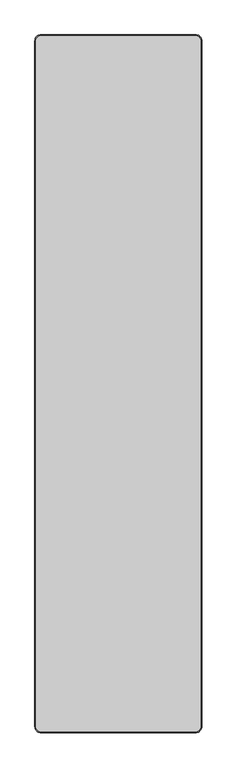
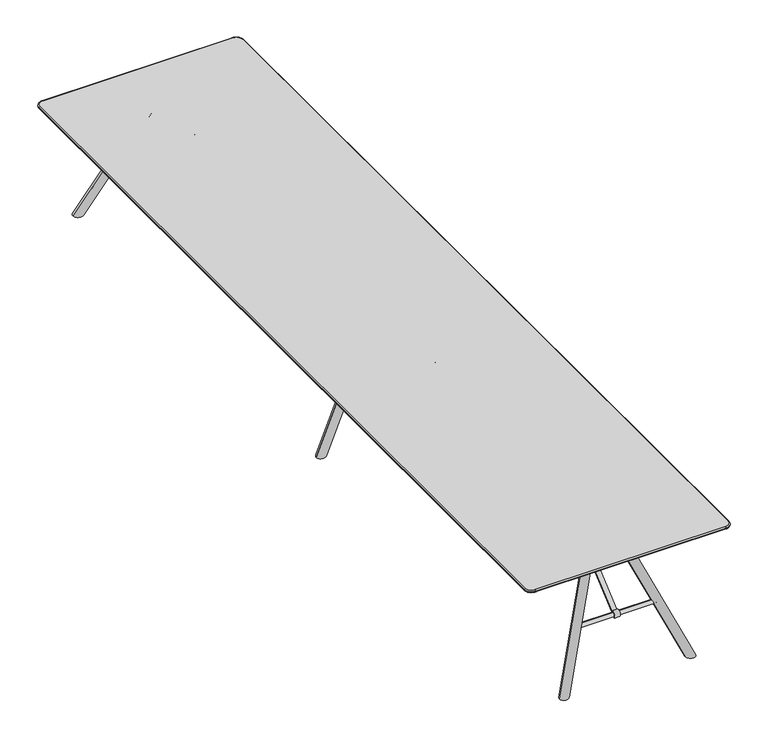
"""IFC4 building model written with IfcOpenShell, lengths in millimetres: furniture geometry."""

from ifc_helpers import new_model, si_unit, point, frame, frame_2d, origin, place, context, project, spatial, polyline, circle_curve, ellipse_curve, trimmed, segment, composite_curve, outline, extrude, source, transform, mapped, element, save
from ifc_brep_helpers import plane_surface, cylinder_surface, revolved_surface, advanced_brep


def furniture_48ffbcbb(model_context):
    return source(origin(), model_context, "Body", "SolidModel", [
        extrude(outline(composite_curve([segment(polyline([(452.1615594, 696.9999876), (516.4936641, 696.9999876), (516.4936641, 693.9557965), (453.2570262, 693.9557965), (12.5923474, 318.9245802)]), True, "CONTINUOUS"), segment(trimmed(circle_curve(frame_2d((0.698271, 308.2132689)), 16.0062876), [point((12.5923474, 318.9245802))], [point((-11.9273491, 298.374826))], True, "CARTESIAN"), True, "CONTINUOUS"), segment(polyline([(-11.9273491, 298.374826), (-14.0616587, 296.2405164)]), True, "CONTINUOUS"), segment(trimmed(circle_curve(frame_2d((0.0, 308.9632055)), 18.9630446), [point((-14.0616587, 296.2405164))], [point((12.7510999, 322.9991063))], False, "CARTESIAN"), True, "CONTINUOUS"), segment(polyline([(12.7510999, 322.9991063), (452.1615594, 696.9999876)]), True, "CONTINUOUS")], self_intersect=False)), frame((-30.0854304, 0.0, 0.0), z_axis=(1.0, 0.0, 0.0), x_axis=(0.0, 1.0, 0.0)), (0.0, 0.0, 1.0), 30.0854304),
        advanced_brep(
        [(-234.1299418, 0.4604158, 296.9759032), (-234.1299418, 0.4604158, 320.4264818), (-234.1299418, 0.4604158, 308.7011925), (225.8700582, 0.4604158, 308.7011925), (225.8700582, 0.4604158, 320.4264818), (225.8700582, 0.4604158, 296.9759032)],
        [
            (0, 1, circle_curve(frame((-234.1299418, 0.4604158, 308.7011925), z_axis=(-1.0, 0.0, 0.0), x_axis=(0.0, 0.0, 1.0)), 11.7252893)),
            (1, 2),
            (2, 0),
            (1, 0, circle_curve(frame((-234.1299418, 0.4604158, 308.7011925), z_axis=(-1.0, 0.0, 0.0), x_axis=(0.0, 0.0, 1.0)), 11.7252893)),
            (3, 4),
            (4, 5, circle_curve(frame((225.8700582, 0.4604158, 308.7011925), z_axis=(1.0, 0.0, 0.0), x_axis=(0.0, 0.0, 1.0)), 11.7252893)),
            (5, 3),
            (5, 4, circle_curve(frame((225.8700582, 0.4604158, 308.7011925), z_axis=(1.0, 0.0, 0.0), x_axis=(0.0, 0.0, 1.0)), 11.7252893)),
            (4, 1, circle_curve(frame((-4.1299418, 0.4604158, -4735.1313064), z_axis=(0.0, -1.0, 0.0), x_axis=(0.0, 0.0, -1.0)), 5060.7869497)),
            (0, 5, circle_curve(frame((-4.1299418, 0.4604158, 5352.5336915), z_axis=(0.0, -1.0, 0.0), x_axis=(0.0, 0.0, 1.0)), 5060.7869497)),
        ],
        [
            plane_surface(frame((-234.1299418, 0.4604158, 308.7011925), z_axis=(-1.0, 0.0, 0.0), x_axis=(0.0, 0.0, 1.0))),
            plane_surface(frame((225.8700582, 0.4604158, 308.7011925), z_axis=(1.0, 0.0, 0.0), x_axis=(0.0, 0.0, 1.0))),
            revolved_surface(trimmed(ellipse_curve(frame((-4.1299418, 0.4604158, -4735.1313064), z_axis=(0.0, 1.0, 0.0), x_axis=(0.0, 0.0, -1.0)), 5060.7869497, 5060.7869497), [point((-234.1299418, 0.4604158, 320.4264818))], [point((225.8700582, 0.4604158, 320.4264818))], True, "CARTESIAN"), (225.8700582, 0.4604158, 308.7011925), (1.0, 0.0, 0.0)),
        ],
        [
            (0, [[1, 2, 3]]),
            (0, [[4, -3, -2]]),
            (1, [[5, 6, 7]]),
            (1, [[-7, 8, -5]]),
            (2, [[-6, 9, -1, 10]]),
            (2, [[-8, -10, -4, -9]]),
        ],
    ),
        extrude(outline(composite_curve([segment(polyline([(-452.1615594, 696.9999876), (-12.7510999, 322.9991063)]), True, "CONTINUOUS"), segment(trimmed(circle_curve(frame_2d((0.0, 308.9632055)), 18.9630446), [point((-12.7510999, 322.9991063))], [point((14.0616587, 296.2405164))], False, "CARTESIAN"), True, "CONTINUOUS"), segment(polyline([(14.0616587, 296.2405164), (11.9273491, 298.374826)]), True, "CONTINUOUS"), segment(trimmed(circle_curve(frame_2d((-0.698271, 308.2132689)), 16.0062876), [point((11.9273491, 298.374826))], [point((-12.5923474, 318.9245802))], True, "CARTESIAN"), True, "CONTINUOUS"), segment(polyline([(-12.5923474, 318.9245802), (-453.2570262, 693.9557965), (-516.4936641, 693.9557965), (-516.4936641, 696.9999876), (-452.1615594, 696.9999876)]), True, "CONTINUOUS")], self_intersect=False)), frame((0.0, 0.0, 0.0), z_axis=(1.0, 0.0, 0.0), x_axis=(0.0, 1.0, 0.0)), (0.0, 0.0, 1.0), 30.0854304),
        advanced_brep(
        [(-234.1299418, -0.4604158, 308.7011925), (-234.1299418, -0.4604158, 320.4264818), (-234.1299418, -0.4604158, 296.9759032), (225.8700582, -0.4604158, 296.9759032), (225.8700582, -0.4604158, 320.4264818), (225.8700582, -0.4604158, 308.7011925)],
        [
            (0, 1),
            (1, 2, circle_curve(frame((-234.1299418, -0.4604158, 308.7011925), z_axis=(-1.0, 0.0, 0.0), x_axis=(0.0, 0.0, 1.0)), 11.7252893)),
            (2, 0),
            (2, 1, circle_curve(frame((-234.1299418, -0.4604158, 308.7011925), z_axis=(-1.0, 0.0, 0.0), x_axis=(0.0, 0.0, 1.0)), 11.7252893)),
            (3, 4, circle_curve(frame((225.8700582, -0.4604158, 308.7011925), z_axis=(1.0, 0.0, 0.0), x_axis=(0.0, 0.0, 1.0)), 11.7252893)),
            (4, 5),
            (5, 3),
            (4, 3, circle_curve(frame((225.8700582, -0.4604158, 308.7011925), z_axis=(1.0, 0.0, 0.0), x_axis=(0.0, 0.0, 1.0)), 11.7252893)),
            (1, 4, circle_curve(frame((-4.1299418, -0.4604158, -4735.1313064), z_axis=(0.0, 1.0, 0.0), x_axis=(0.0, 0.0, -1.0)), 5060.7869497)),
            (3, 2, circle_curve(frame((-4.1299418, -0.4604158, 5352.5336915), z_axis=(0.0, 1.0, 0.0), x_axis=(0.0, 0.0, 1.0)), 5060.7869497)),
        ],
        [
            plane_surface(frame((-234.1299418, -0.4604158, 308.7011925), z_axis=(-1.0, 0.0, 0.0), x_axis=(0.0, 0.0, 1.0))),
            plane_surface(frame((225.8700582, -0.4604158, 308.7011925), z_axis=(1.0, 0.0, 0.0), x_axis=(0.0, 0.0, 1.0))),
            revolved_surface(trimmed(ellipse_curve(frame((-4.1299418, -0.4604158, -4735.1313064), z_axis=(0.0, -1.0, 0.0), x_axis=(0.0, 0.0, -1.0)), 5060.7869497, 5060.7869497), [point((225.8700582, -0.4604158, 320.4264818))], [point((-234.1299418, -0.4604158, 320.4264818))], True, "CARTESIAN"), (225.8700582, -0.4604158, 308.7011925), (-1.0, 0.0, 0.0)),
        ],
        [
            (0, [[1, 2, 3]]),
            (0, [[-3, 4, -1]]),
            (1, [[5, 6, 7]]),
            (1, [[8, -7, -6]]),
            (2, [[-2, 9, -5, 10]]),
            (2, [[-4, -10, -8, -9]]),
        ],
    ),
        advanced_brep(
        [(380.955562, 0.0, 0.0), (327.0019251, 0.0, 0.0), (109.0551994, 0.0, 670.5969178), (62.7191201, 0.0, 651.8094817)],
        [
            (0, 1, ellipse_curve(frame((353.9787435, 0.0, 0.0), z_axis=(0.0, 0.0, -1.0), x_axis=(-1.0, 0.0, 0.0)), 26.9768185, 25.0)),
            (1, 0, ellipse_curve(frame((353.9787435, 0.0, 0.0), z_axis=(0.0, 0.0, -1.0), x_axis=(-1.0, 0.0, 0.0)), 26.9768185, 25.0)),
            (2, 3, circle_curve(frame((85.8871597, 0.0, 661.2031998), z_axis=(-0.3757487225690418, 0.0, 0.9267215857460823), x_axis=(-0.9267215857460823, 0.0, -0.3757487225690418)), 25.0)),
            (3, 2, circle_curve(frame((85.8871597, 0.0, 661.2031998), z_axis=(-0.3757487225690418, 0.0, 0.9267215857460823), x_axis=(-0.9267215857460823, 0.0, -0.3757487225690418)), 25.0)),
            (3, 1),
            (0, 2),
        ],
        [
            plane_surface(frame((414.9551578, 100.0, 0.0), z_axis=(0.0, 0.0, -1.0), x_axis=(-1.0, 0.0, 0.0))),
            plane_surface(frame((62.7191201, 0.0, 651.8094817), z_axis=(-0.3757487225690418, 0.0, 0.9267215857460823), x_axis=(0.0, -1.0, 0.0))),
            cylinder_surface(frame((358.9985719, 0.0, -12.3805698), z_axis=(-0.3757487225690418, 0.0, 0.9267215857460823), x_axis=(-0.9267215857460823, 0.0, -0.3757487225690418)), 25.0),
        ],
        [
            (0, [[1, 2]]),
            (1, [[3, 4]]),
            (2, [[-4, 5, -1, 6]]),
            (2, [[-3, -6, -2, -5]]),
        ],
    ),
        advanced_brep(
        [(-327.0019251, 0.0, 0.0), (-380.955562, 0.0, 0.0), (-109.0551994, 0.0, 670.5969178), (-62.7191201, 0.0, 651.8094817)],
        [
            (0, 1, ellipse_curve(frame((-353.9787435, 0.0, 0.0), z_axis=(0.0, 0.0, -1.0), x_axis=(1.0, 0.0, 0.0)), 26.9768185, 25.0)),
            (1, 0, ellipse_curve(frame((-353.9787435, 0.0, 0.0), z_axis=(0.0, 0.0, -1.0), x_axis=(1.0, 0.0, 0.0)), 26.9768185, 25.0)),
            (2, 3, circle_curve(frame((-85.8871597, 0.0, 661.2031998), z_axis=(0.3757487225690418, 0.0, 0.9267215857460823), x_axis=(0.9267215857460823, 0.0, -0.3757487225690418)), 25.0)),
            (3, 2, circle_curve(frame((-85.8871597, 0.0, 661.2031998), z_axis=(0.3757487225690418, 0.0, 0.9267215857460823), x_axis=(0.9267215857460823, 0.0, -0.3757487225690418)), 25.0)),
            (2, 1),
            (0, 3),
        ],
        [
            plane_surface(frame((414.9551578, 100.0, 0.0), z_axis=(0.0, 0.0, -1.0), x_axis=(-1.0, 0.0, 0.0))),
            plane_surface(frame((-62.7191201, 0.0, 651.8094817), z_axis=(0.3757487225690418, 0.0, 0.9267215857460823), x_axis=(0.0, 1.0, 0.0))),
            cylinder_surface(frame((-358.9985719, 0.0, -12.3805698), z_axis=(0.3757487225690418, 0.0, 0.9267215857460823), x_axis=(0.9267215857460823, 0.0, -0.3757487225690418)), 25.0),
        ],
        [
            (0, [[1, 2]]),
            (1, [[3, 4]]),
            (2, [[-3, 5, -1, 6]]),
            (2, [[-4, -6, -2, -5]]),
        ],
    ),
        extrude(outline(polyline([(705.4756617, -300.8039954), (687.6294954, -300.8039954), (642.3006437, -190.0), (642.3006437, 190.0), (687.6294954, 300.8039954), (705.4756617, 300.8039954), (705.4756617, -300.8039954)])), frame((0.0, -50.000027, 0.0), z_axis=(0.0, 1.0, 0.0), x_axis=(0.0, 0.0, 1.0)), (0.0, 0.0, 1.0), 100.000054),
        advanced_brep(
        [(380.6471861, 2363.9639551, 0.0), (327.1101507, 2364.2748861, 0.0), (109.9688176, 2143.3483753, 667.7772071), (63.3065195, 2149.2625399, 650.8168831)],
        [
            (0, 1, ellipse_curve(frame((353.8786684, 2364.1194206, 0.0), z_axis=(0.0, 0.0, -1.0), x_axis=(-0.7751468611530292, -0.6317810883879055, 0.0)), 28.2117965, 25.0)),
            (1, 0, ellipse_curve(frame((353.8786684, 2364.1194206, 0.0), z_axis=(0.0, 0.0, -1.0), x_axis=(-0.7751468611530292, -0.6317810883879055, 0.0)), 28.2117965, 25.0)),
            (2, 3, circle_curve(frame((86.6376685, 2146.3054576, 659.2970451), z_axis=(-0.3591957786469681, -0.29276142541603045, 0.8861541290264195), x_axis=(-0.9332459618296186, 0.11828329378096142, -0.3392064815728569)), 25.0)),
            (3, 2, circle_curve(frame((86.6376685, 2146.3054576, 659.2970451), z_axis=(-0.3591957786469681, -0.29276142541603045, 0.8861541290264195), x_axis=(-0.9332459618296186, 0.11828329378096142, -0.3392064815728569)), 25.0)),
            (3, 1),
            (0, 2),
        ],
        [
            plane_surface(frame((414.9551578, 2444.7814514, 0.0), z_axis=(0.0, 0.0, -1.0), x_axis=(-1.0, 0.0, 0.0))),
            plane_surface(frame((63.3065195, 2149.2625399, 650.8168831), z_axis=(-0.3591957786469684, -0.29276142541603045, 0.8861541290264197), x_axis=(-0.0055106561232178, -0.9488412987432098, -0.315705277859574))),
            cylinder_surface(frame((359.1565975, 2368.4211807, -13.0209177), z_axis=(-0.35919577864696817, -0.2927614254160305, 0.8861541290264198), x_axis=(-0.9332459618296186, 0.11828329378096142, -0.3392064815728569)), 25.0),
        ],
        [
            (0, [[1, 2]]),
            (1, [[3, 4]]),
            (2, [[-4, 5, -1, 6]]),
            (2, [[-3, -6, -2, -5]]),
        ],
    ),
        advanced_brep(
        [(-109.9688176, 2143.3483753, 667.7772071), (-63.3065195, 2149.2625399, 650.8168831), (-380.6471861, 2363.9639551, 0.0), (-327.1101507, 2364.2748861, 0.0)],
        [
            (0, 1, circle_curve(frame((-86.6376685, 2146.3054576, 659.2970451), z_axis=(0.35919577864696817, -0.2927614254160304, 0.8861541290264195), x_axis=(0.9332459618296186, 0.1182832937809614, -0.33920648157285693)), 25.0)),
            (1, 0, circle_curve(frame((-86.6376685, 2146.3054576, 659.2970451), z_axis=(0.35919577864696817, -0.2927614254160304, 0.8861541290264195), x_axis=(0.9332459618296186, 0.1182832937809614, -0.33920648157285693)), 25.0)),
            (0, 2),
            (2, 3, ellipse_curve(frame((-353.8786684, 2364.1194206, 0.0), z_axis=(0.0, 0.0, 1.0), x_axis=(0.7751468611530293, -0.6317810883879054, 0.0)), 28.2117965, 25.0)),
            (3, 1),
            (3, 2, ellipse_curve(frame((-353.8786684, 2364.1194206, 0.0), z_axis=(0.0, 0.0, 1.0), x_axis=(0.7751468611530293, -0.6317810883879054, 0.0)), 28.2117965, 25.0)),
        ],
        [
            plane_surface(frame((-63.3065195, 2149.2625399, 650.8168831), z_axis=(0.3591957786469684, -0.29276142541603045, 0.8861541290264195), x_axis=(-0.005510656123217784, 0.9488412987432097, 0.315705277859574))),
            cylinder_surface(frame((-359.1565975, 2368.4211807, -13.0209177), z_axis=(0.3591957786469682, -0.29276142541603045, 0.8861541290264198), x_axis=(0.9332459618296186, 0.1182832937809614, -0.33920648157285693)), 25.0),
            plane_surface(frame((414.9551578, 2444.7814514, 0.0), z_axis=(0.0, 0.0, -1.0), x_axis=(-1.0, 0.0, 0.0))),
        ],
        [
            (0, [[1, 2]]),
            (1, [[-1, 3, 4, 5]]),
            (1, [[-2, -5, 6, -3]]),
            (2, [[-4, -6]]),
        ],
    ),
        extrude(outline(composite_curve([segment(polyline([(1807.3939355, 696.9999876), (2246.804395, 322.9991063)]), True, "CONTINUOUS"), segment(trimmed(circle_curve(frame_2d((2259.555495, 308.9632055)), 18.9630446), [point((2246.804395, 322.9991063))], [point((2273.6171536, 296.2405164))], False, "CARTESIAN"), True, "CONTINUOUS"), segment(polyline([(2273.6171536, 296.2405164), (2271.4828441, 298.374826)]), True, "CONTINUOUS"), segment(trimmed(circle_curve(frame_2d((2258.8572239, 308.2132689)), 16.0062876), [point((2271.4828441, 298.374826))], [point((2246.9631475, 318.9245802))], True, "CARTESIAN"), True, "CONTINUOUS"), segment(polyline([(2246.9631475, 318.9245802), (1806.2984688, 693.9557965), (1743.0618308, 693.9557965), (1743.0618308, 696.9999876), (1807.3939355, 696.9999876)]), True, "CONTINUOUS")], self_intersect=False)), frame((-18.7488756, 0.0, 0.0), z_axis=(1.0, 0.0, 0.0), x_axis=(0.0, 1.0, 0.0)), (0.0, 0.0, 1.0), 30.0854304),
        advanced_brep(
        [(-234.1299418, 2259.0950792, 308.7011925), (-234.1299418, 2259.0950792, 320.4264818), (-234.1299418, 2259.0950792, 296.9759032), (225.8700582, 2259.0950792, 296.9759032), (225.8700582, 2259.0950792, 320.4264818), (225.8700582, 2259.0950792, 308.7011925)],
        [
            (0, 1),
            (1, 2, circle_curve(frame((-234.1299418, 2259.0950792, 308.7011925), z_axis=(-1.0, 0.0, 0.0), x_axis=(0.0, 0.0, 1.0)), 11.7252893)),
            (2, 0),
            (2, 1, circle_curve(frame((-234.1299418, 2259.0950792, 308.7011925), z_axis=(-1.0, 0.0, 0.0), x_axis=(0.0, 0.0, 1.0)), 11.7252893)),
            (3, 4, circle_curve(frame((225.8700582, 2259.0950792, 308.7011925), z_axis=(1.0, 0.0, 0.0), x_axis=(0.0, 0.0, 1.0)), 11.7252893)),
            (4, 5),
            (5, 3),
            (4, 3, circle_curve(frame((225.8700582, 2259.0950792, 308.7011925), z_axis=(1.0, 0.0, 0.0), x_axis=(0.0, 0.0, 1.0)), 11.7252893)),
            (1, 4, circle_curve(frame((-4.1299418, 2259.0950792, -4735.1313064), z_axis=(0.0, 1.0, 0.0), x_axis=(0.0, 0.0, -1.0)), 5060.7869497)),
            (3, 2, circle_curve(frame((-4.1299418, 2259.0950792, 5352.5336915), z_axis=(0.0, 1.0, 0.0), x_axis=(0.0, 0.0, 1.0)), 5060.7869497)),
        ],
        [
            plane_surface(frame((-234.1299418, 2259.0950792, 308.7011925), z_axis=(-1.0, 0.0, 0.0), x_axis=(0.0, 0.0, 1.0))),
            plane_surface(frame((225.8700582, 2259.0950792, 308.7011925), z_axis=(1.0, 0.0, 0.0), x_axis=(0.0, 0.0, 1.0))),
            revolved_surface(trimmed(ellipse_curve(frame((-4.1299418, 2259.0950792, -4735.1313064), z_axis=(0.0, -1.0, 0.0), x_axis=(0.0, 0.0, -1.0)), 5060.7869497, 5060.7869497), [point((225.8700582, 2259.0950792, 320.4264818))], [point((-234.1299418, 2259.0950792, 320.4264818))], True, "CARTESIAN"), (225.8700582, 2259.0950792, 308.7011925), (-1.0, 0.0, 0.0)),
        ],
        [
            (0, [[1, 2, 3]]),
            (0, [[-3, 4, -1]]),
            (1, [[5, 6, 7]]),
            (1, [[8, -7, -6]]),
            (2, [[-2, 9, -5, 10]]),
            (2, [[-4, -10, -8, -9]]),
        ],
    ),
        extrude(outline(polyline([(705.4756617, -300.8039954), (687.6294954, -300.8039954), (642.3006437, -190.0), (642.3006437, 190.0), (687.6294954, 300.8039954), (705.4756617, 300.8039954), (705.4756617, -300.8039954)])), frame((0.0, 2100.0, 0.0), z_axis=(0.0, 1.0, 0.0), x_axis=(0.0, 0.0, 1.0)), (0.0, 0.0, 1.0), 100.000054),
        advanced_brep(
        [(327.1101507, -2364.2748861, 0.0), (380.6471861, -2363.9639551, 0.0), (109.9688176, -2143.3483753, 667.7772071), (63.3065195, -2149.2625399, 650.8168831)],
        [
            (0, 1, ellipse_curve(frame((353.8786684, -2364.1194206, 0.0), z_axis=(0.0, 0.0, -1.0), x_axis=(-0.7751468611530293, 0.6317810883879051, 0.0)), 28.2117965, 25.0)),
            (1, 0, ellipse_curve(frame((353.8786684, -2364.1194206, 0.0), z_axis=(0.0, 0.0, -1.0), x_axis=(-0.7751468611530293, 0.6317810883879051, 0.0)), 28.2117965, 25.0)),
            (2, 3, circle_curve(frame((86.6376685, -2146.3054576, 659.2970451), z_axis=(-0.35919577864696817, 0.29276142541603034, 0.8861541290264198), x_axis=(-0.9332459618296186, -0.11828329378096142, -0.3392064815728569)), 25.0)),
            (3, 2, circle_curve(frame((86.6376685, -2146.3054576, 659.2970451), z_axis=(-0.35919577864696817, 0.29276142541603034, 0.8861541290264198), x_axis=(-0.9332459618296186, -0.11828329378096142, -0.3392064815728569)), 25.0)),
            (2, 1),
            (0, 3),
        ],
        [
            plane_surface(frame((414.9551578, -2319.2242518, 0.0), z_axis=(0.0, 0.0, -1.0), x_axis=(-1.0, 0.0, 0.0))),
            plane_surface(frame((63.3065195, -2149.2625399, 650.8168831), z_axis=(-0.35919577864696844, 0.29276142541603045, 0.8861541290264197), x_axis=(0.005510656123217739, -0.9488412987432098, 0.315705277859574))),
            cylinder_surface(frame((359.1565975, -2368.4211807, -13.0209177), z_axis=(-0.35919577864696817, 0.29276142541603034, 0.8861541290264198), x_axis=(-0.9332459618296186, -0.11828329378096142, -0.3392064815728569)), 25.0),
        ],
        [
            (0, [[1, 2]]),
            (1, [[3, 4]]),
            (2, [[-3, 5, -1, 6]]),
            (2, [[-4, -6, -2, -5]]),
        ],
    ),
        advanced_brep(
        [(-109.9688176, -2143.3483753, 667.7772071), (-63.3065195, -2149.2625399, 650.8168831), (-327.1101507, -2364.2748861, 0.0), (-380.6471861, -2363.9639551, 0.0)],
        [
            (0, 1, circle_curve(frame((-86.6376685, -2146.3054576, 659.2970451), z_axis=(0.3591957786469683, 0.2927614254160305, 0.8861541290264197), x_axis=(0.9332459618296186, -0.1182832937809614, -0.33920648157285693)), 25.0)),
            (1, 0, circle_curve(frame((-86.6376685, -2146.3054576, 659.2970451), z_axis=(0.3591957786469683, 0.2927614254160305, 0.8861541290264197), x_axis=(0.9332459618296186, -0.1182832937809614, -0.33920648157285693)), 25.0)),
            (1, 2),
            (2, 3, ellipse_curve(frame((-353.8786684, -2364.1194206, 0.0), z_axis=(0.0, 0.0, 1.0), x_axis=(0.7751468611530292, 0.6317810883879053, 0.0)), 28.2117965, 25.0)),
            (3, 0),
            (3, 2, ellipse_curve(frame((-353.8786684, -2364.1194206, 0.0), z_axis=(0.0, 0.0, 1.0), x_axis=(0.7751468611530292, 0.6317810883879053, 0.0)), 28.2117965, 25.0)),
        ],
        [
            plane_surface(frame((-63.3065195, -2149.2625399, 650.8168831), z_axis=(0.3591957786469684, 0.2927614254160305, 0.8861541290264195), x_axis=(0.005510656123217799, 0.9488412987432097, -0.31570527785957403))),
            cylinder_surface(frame((-359.1565975, -2368.4211807, -13.0209177), z_axis=(0.3591957786469683, 0.2927614254160305, 0.8861541290264197), x_axis=(0.9332459618296186, -0.1182832937809614, -0.33920648157285693)), 25.0),
            plane_surface(frame((414.9551578, -2319.2242518, 0.0), z_axis=(0.0, 0.0, -1.0), x_axis=(-1.0, 0.0, 0.0))),
        ],
        [
            (0, [[1, 2]]),
            (1, [[-2, 3, 4, 5]]),
            (1, [[-1, -5, 6, -3]]),
            (2, [[-4, -6]]),
        ],
    ),
        extrude(outline(composite_curve([segment(polyline([(-1807.3939355, 696.9999876), (-1743.0618308, 696.9999876), (-1743.0618308, 693.9557965), (-1806.2984688, 693.9557965), (-2246.9631475, 318.9245802)]), True, "CONTINUOUS"), segment(trimmed(circle_curve(frame_2d((-2258.8572239, 308.2132689)), 16.0062876), [point((-2246.9631475, 318.9245802))], [point((-2271.4828441, 298.374826))], True, "CARTESIAN"), True, "CONTINUOUS"), segment(polyline([(-2271.4828441, 298.374826), (-2273.6171536, 296.2405164)]), True, "CONTINUOUS"), segment(trimmed(circle_curve(frame_2d((-2259.555495, 308.9632055)), 18.9630446), [point((-2273.6171536, 296.2405164))], [point((-2246.804395, 322.9991063))], False, "CARTESIAN"), True, "CONTINUOUS"), segment(polyline([(-2246.804395, 322.9991063), (-1807.3939355, 696.9999876)]), True, "CONTINUOUS")], self_intersect=False)), frame((-18.7488756, 0.0, 0.0), z_axis=(1.0, 0.0, 0.0), x_axis=(0.0, 1.0, 0.0)), (0.0, 0.0, 1.0), 30.0854304),
        advanced_brep(
        [(-234.1299418, -2259.0950792, 296.9759032), (-234.1299418, -2259.0950792, 320.4264818), (-234.1299418, -2259.0950792, 308.7011925), (225.8700582, -2259.0950792, 308.7011925), (225.8700582, -2259.0950792, 320.4264818), (225.8700582, -2259.0950792, 296.9759032)],
        [
            (0, 1, circle_curve(frame((-234.1299418, -2259.0950792, 308.7011925), z_axis=(-1.0, 0.0, 0.0), x_axis=(0.0, 0.0, 1.0)), 11.7252893)),
            (1, 2),
            (2, 0),
            (1, 0, circle_curve(frame((-234.1299418, -2259.0950792, 308.7011925), z_axis=(-1.0, 0.0, 0.0), x_axis=(0.0, 0.0, 1.0)), 11.7252893)),
            (3, 4),
            (4, 5, circle_curve(frame((225.8700582, -2259.0950792, 308.7011925), z_axis=(1.0, 0.0, 0.0), x_axis=(0.0, 0.0, 1.0)), 11.7252893)),
            (5, 3),
            (5, 4, circle_curve(frame((225.8700582, -2259.0950792, 308.7011925), z_axis=(1.0, 0.0, 0.0), x_axis=(0.0, 0.0, 1.0)), 11.7252893)),
            (4, 1, circle_curve(frame((-4.1299418, -2259.0950792, -4735.1313064), z_axis=(0.0, -1.0, 0.0), x_axis=(0.0, 0.0, -1.0)), 5060.7869497)),
            (0, 5, circle_curve(frame((-4.1299418, -2259.0950792, 5352.5336915), z_axis=(0.0, -1.0, 0.0), x_axis=(0.0, 0.0, 1.0)), 5060.7869497)),
        ],
        [
            plane_surface(frame((-234.1299418, -2259.0950792, 308.7011925), z_axis=(-1.0, 0.0, 0.0), x_axis=(0.0, 0.0, 1.0))),
            plane_surface(frame((225.8700582, -2259.0950792, 308.7011925), z_axis=(1.0, 0.0, 0.0), x_axis=(0.0, 0.0, 1.0))),
            revolved_surface(trimmed(ellipse_curve(frame((-4.1299418, -2259.0950792, -4735.1313064), z_axis=(0.0, 1.0, 0.0), x_axis=(0.0, 0.0, -1.0)), 5060.7869497, 5060.7869497), [point((-234.1299418, -2259.0950792, 320.4264818))], [point((225.8700582, -2259.0950792, 320.4264818))], True, "CARTESIAN"), (225.8700582, -2259.0950792, 308.7011925), (1.0, 0.0, 0.0)),
        ],
        [
            (0, [[1, 2, 3]]),
            (0, [[4, -3, -2]]),
            (1, [[5, 6, 7]]),
            (1, [[-7, 8, -5]]),
            (2, [[-6, 9, -1, 10]]),
            (2, [[-8, -10, -4, -9]]),
        ],
    ),
        extrude(outline(polyline([(705.4756617, -300.8039954), (687.6294954, -300.8039954), (642.3006437, -190.0), (642.3006437, 190.0), (687.6294954, 300.8039954), (705.4756617, 300.8039954), (705.4756617, -300.8039954)])), frame((0.0, -2200.000054, 0.0), z_axis=(0.0, 1.0, 0.0), x_axis=(0.0, 0.0, 1.0)), (0.0, 0.0, 1.0), 100.000054),
        advanced_brep(
        [(-535.0, 2393.3875297, 720.0), (-568.3875297, 2360.0, 720.0), (-568.3875297, -2360.0, 720.0), (-535.0, -2393.3875297, 720.0), (535.0, -2393.3875297, 720.0), (568.3875297, -2360.0, 720.0), (568.3875297, 2360.0, 720.0), (535.0, 2393.3875297, 720.0), (-540.0005076, 2360.0, 696.9999876), (-535.0, 2365.0005076, 696.9999876), (535.0, 2365.0005076, 696.9999876), (540.0005076, 2360.0, 696.9999876), (540.0005076, -2360.0, 696.9999876), (535.0, -2365.0005076, 696.9999876), (-535.0, -2365.0005076, 696.9999876), (-540.0005076, -2360.0, 696.9999876), (535.0, 2400.0, 713.3875348), (535.0, 2400.0, 711.9936098), (-535.0, 2400.0, 711.9936098), (-535.0, 2400.0, 713.3875295), (-575.0, 2360.0, 711.9936098), (-575.0, 2360.0, 713.3875296), (-575.0, -2360.0, 711.9936098), (-575.0, -2360.0, 713.3875297), (-535.0, -2400.0, 711.9936098), (-535.0, -2400.0, 713.3875295), (535.0, -2400.0, 711.9936098), (535.0, -2400.0, 713.3875297), (575.0, -2360.0, 711.9936098), (575.0, -2360.0, 713.3875297), (575.0, 2360.0, 711.9936098), (575.0, 2360.0, 713.3875297), (-571.0321209, 2360.0, 706.6108805), (-535.0, 2396.0321209, 706.6108805), (-571.0321209, -2360.0, 706.6108805), (-535.0, -2396.0321209, 706.6108805), (535.0, -2396.0321209, 706.6108805), (571.0321209, -2360.0, 706.6108805), (571.0321209, 2360.0, 706.6108805), (535.0, 2396.0321209, 706.6108805)],
        [
            (0, 1, circle_curve(frame((-535.0, 2360.0, 720.0), z_axis=(0.0, 0.0, 1.0), x_axis=(0.0, 1.0, 0.0)), 33.3875297)),
            (1, 2),
            (2, 3, circle_curve(frame((-535.0, -2360.0, 720.0), z_axis=(0.0, 0.0, 1.0), x_axis=(-1.0, 0.0, 0.0)), 33.3875297)),
            (3, 4),
            (4, 5, circle_curve(frame((535.0, -2360.0, 720.0), z_axis=(0.0, 0.0, 1.0), x_axis=(0.0, -1.0, 0.0)), 33.3875297)),
            (5, 6),
            (6, 7, circle_curve(frame((535.0, 2360.0, 720.0), z_axis=(0.0, 0.0, 1.0), x_axis=(1.0, 0.0, 0.0)), 33.3875297)),
            (7, 0),
            (8, 9, circle_curve(frame((-535.0, 2360.0, 696.9999876), z_axis=(0.0, 0.0, -1.0), x_axis=(0.0, 1.0, 0.0)), 5.0005076)),
            (9, 10),
            (10, 11, circle_curve(frame((535.0, 2360.0, 696.9999876), z_axis=(0.0, 0.0, -1.0), x_axis=(1.0, 0.0, 0.0)), 5.0005076)),
            (11, 12),
            (12, 13, circle_curve(frame((535.0, -2360.0, 696.9999876), z_axis=(0.0, 0.0, -1.0), x_axis=(0.0, -1.0, 0.0)), 5.0005076)),
            (13, 14),
            (14, 15, circle_curve(frame((-535.0, -2360.0, 696.9999876), z_axis=(0.0, 0.0, -1.0), x_axis=(-1.0, 0.0, 0.0)), 5.0005076)),
            (15, 8),
            (16, 17),
            (17, 18),
            (18, 19),
            (19, 16),
            (18, 20, circle_curve(frame((-535.0, 2360.0, 711.9936098), z_axis=(0.0, 0.0, 1.0), x_axis=(1.0, 0.0, 0.0)), 40.0)),
            (20, 21),
            (21, 19, circle_curve(frame((-535.0, 2360.0, 713.3875297), z_axis=(0.0, 0.0, -1.0), x_axis=(1.0, 0.0, 0.0)), 40.0)),
            (20, 22),
            (22, 23),
            (23, 21),
            (22, 24, circle_curve(frame((-535.0, -2360.0, 711.9936098), z_axis=(0.0, 0.0, 1.0), x_axis=(1.0, 0.0, 0.0)), 40.0)),
            (24, 25),
            (25, 23, circle_curve(frame((-535.0, -2360.0, 713.3875297), z_axis=(0.0, 0.0, -1.0), x_axis=(1.0, 0.0, 0.0)), 40.0)),
            (24, 26),
            (26, 27),
            (27, 25),
            (26, 28, circle_curve(frame((535.0, -2360.0, 711.9936098), z_axis=(0.0, 0.0, 1.0), x_axis=(1.0, 0.0, 0.0)), 40.0)),
            (28, 29),
            (29, 27, circle_curve(frame((535.0, -2360.0, 713.3875297), z_axis=(0.0, 0.0, -1.0), x_axis=(1.0, 0.0, 0.0)), 40.0)),
            (28, 30),
            (30, 31),
            (31, 29),
            (16, 31, circle_curve(frame((535.0, 2360.0, 713.3875297), z_axis=(0.0, 0.0, -1.0), x_axis=(1.0, 0.0, 0.0)), 40.0)),
            (30, 17, circle_curve(frame((535.0, 2360.0, 711.9936098), z_axis=(0.0, 0.0, 1.0), x_axis=(1.0, 0.0, 0.0)), 40.0)),
            (21, 1, circle_curve(frame((-568.3875297, 2360.0, 713.3875297), z_axis=(0.0, 1.0, 0.0), x_axis=(1.0, 0.0, 0.0)), 6.6124703)),
            (0, 19, circle_curve(frame((-535.0, 2393.3875297, 713.3875297), z_axis=(-1.0, 0.0, 0.0), x_axis=(0.0, -1.0, 0.0)), 6.6124703)),
            (32, 20, circle_curve(frame((-569.3650199, 2360.0, 711.9936098), z_axis=(0.0, 1.0, 0.0), x_axis=(1.0, 0.0, 0.0)), 5.6349801)),
            (18, 33, circle_curve(frame((-535.0, 2394.3650199, 711.9936098), z_axis=(-1.0, 0.0, 0.0), x_axis=(0.0, -1.0, 0.0)), 5.6349801)),
            (33, 32, circle_curve(frame((-535.0, 2360.0, 706.6108805), z_axis=(0.0, 0.0, 1.0), x_axis=(0.0, 1.0, 0.0)), 36.0321209)),
            (33, 9),
            (8, 32),
            (23, 2, circle_curve(frame((-568.3875297, -2360.0, 713.3875297), z_axis=(0.0, 1.0, 0.0), x_axis=(1.0, 0.0, 0.0)), 6.6124703)),
            (32, 34),
            (34, 22, circle_curve(frame((-569.3650199, -2360.0, 711.9936098), z_axis=(0.0, 1.0, 0.0), x_axis=(1.0, 0.0, 0.0)), 5.6349801)),
            (15, 34),
            (25, 3, circle_curve(frame((-535.0, -2393.3875297, 713.3875297), z_axis=(-1.0, 0.0, 0.0), x_axis=(0.0, 1.0, 0.0)), 6.6124703)),
            (34, 35, circle_curve(frame((-535.0, -2360.0, 706.6108805), z_axis=(0.0, 0.0, 1.0), x_axis=(-1.0, 0.0, 0.0)), 36.0321209)),
            (35, 24, circle_curve(frame((-535.0, -2394.3650199, 711.9936098), z_axis=(-1.0, 0.0, 0.0), x_axis=(0.0, 1.0, 0.0)), 5.6349801)),
            (14, 35),
            (27, 4, circle_curve(frame((535.0, -2393.3875297, 713.3875297), z_axis=(-1.0, 0.0, 0.0), x_axis=(0.0, 1.0, 0.0)), 6.6124703)),
            (35, 36),
            (36, 26, circle_curve(frame((535.0, -2394.3650199, 711.9936098), z_axis=(-1.0, 0.0, 0.0), x_axis=(0.0, 1.0, 0.0)), 5.6349801)),
            (13, 36),
            (29, 5, circle_curve(frame((568.3875297, -2360.0, 713.3875297), z_axis=(0.0, -1.0, 0.0), x_axis=(-1.0, 0.0, 0.0)), 6.6124703)),
            (36, 37, circle_curve(frame((535.0, -2360.0, 706.6108805), z_axis=(0.0, 0.0, 1.0), x_axis=(0.0, -1.0, 0.0)), 36.0321209)),
            (37, 28, circle_curve(frame((569.3650199, -2360.0, 711.9936098), z_axis=(0.0, -1.0, 0.0), x_axis=(-1.0, 0.0, 0.0)), 5.6349801)),
            (12, 37),
            (31, 6, circle_curve(frame((568.3875297, 2360.0, 713.3875297), z_axis=(0.0, -1.0, 0.0), x_axis=(-1.0, 0.0, 0.0)), 6.6124703)),
            (37, 38),
            (38, 30, circle_curve(frame((569.3650199, 2360.0, 711.9936098), z_axis=(0.0, -1.0, 0.0), x_axis=(-1.0, 0.0, 0.0)), 5.6349801)),
            (11, 38),
            (16, 7, circle_curve(frame((535.0, 2393.3875297, 713.3875297), z_axis=(1.0, 0.0, 0.0), x_axis=(0.0, -1.0, 0.0)), 6.6124703)),
            (38, 39, circle_curve(frame((535.0, 2360.0, 706.6108805), z_axis=(0.0, 0.0, 1.0), x_axis=(1.0, 0.0, 0.0)), 36.0321209)),
            (39, 17, circle_curve(frame((535.0, 2394.3650199, 711.9936098), z_axis=(1.0, 0.0, 0.0), x_axis=(0.0, -1.0, 0.0)), 5.6349801)),
            (10, 39),
            (39, 33),
        ],
        [
            plane_surface(frame((-435.310117, 2400.0, 720.0), z_axis=(0.0, 0.0, 1.0), x_axis=(-1.0, 0.0, 0.0))),
            plane_surface(frame((-435.310117, 2400.0, 696.9999876), z_axis=(0.0, 0.0, -1.0), x_axis=(1.0, 0.0, 0.0))),
            plane_surface(frame((535.0, 2400.0, 720.0), z_axis=(0.0, 1.0, 0.0), x_axis=(0.0, 0.0, -1.0))),
            cylinder_surface(frame((-535.0, 2360.0, 696.9999876), z_axis=(0.0, 0.0, 1.0), x_axis=(1.0, 0.0, 0.0)), 40.0),
            plane_surface(frame((-575.0, 2360.0, 720.0), z_axis=(-1.0, 0.0, 0.0), x_axis=(0.0, 0.0, -1.0))),
            cylinder_surface(frame((-535.0, -2360.0, 696.9999876), z_axis=(0.0, 0.0, 1.0), x_axis=(1.0, 0.0, 0.0)), 40.0),
            plane_surface(frame((-535.0, -2400.0, 720.0), z_axis=(0.0, -1.0, 0.0), x_axis=(0.0, 0.0, -1.0))),
            cylinder_surface(frame((535.0, -2360.0, 696.9999876), z_axis=(0.0, 0.0, 1.0), x_axis=(1.0, 0.0, 0.0)), 40.0),
            plane_surface(frame((575.0, -2360.0, 720.0), z_axis=(1.0, 0.0, 0.0), x_axis=(0.0, 0.0, -1.0))),
            cylinder_surface(frame((535.0, 2360.0, 696.9999876), z_axis=(0.0, 0.0, 1.0), x_axis=(1.0, 0.0, 0.0)), 40.0),
            revolved_surface(trimmed(ellipse_curve(frame((-535.0, 2393.3875297, 713.3875297), z_axis=(1.0, 0.0, 0.0), x_axis=(0.0, -1.0, 0.0)), 6.6124703, 6.6124703), [point((-535.0, 2400.0, 713.3875297))], [point((-535.0, 2393.3875297, 720.0))], True, "CARTESIAN"), (-535.0, 2360.0, -18.7809165), (0.0, 0.0, 1.0)),
            revolved_surface(trimmed(ellipse_curve(frame((-535.0, 2394.3650199, 711.9936098), z_axis=(1.0, 0.0, 0.0), x_axis=(0.0, -1.0, 0.0)), 5.6349801, 5.6349801), [point((-535.0, 2396.0321209, 706.6108805))], [point((-535.0, 2400.0, 711.9936098))], True, "CARTESIAN"), (-535.0, 2360.0, -18.7809165), (0.0, 0.0, 1.0)),
            revolved_surface(polyline([(-535.0, 2365.0005076, 696.9999876), (-535.0, 2396.0321209, 706.6108805)]), (-535.0, 2360.0, -18.7809165), (0.0, 0.0, 1.0)),
            cylinder_surface(frame((-568.3875297, 2360.0, 713.3875297), z_axis=(0.0, -1.0, 0.0), x_axis=(1.0, 0.0, 0.0)), 6.6124703),
            cylinder_surface(frame((-569.3650199, 2360.0, 711.9936098), z_axis=(0.0, -1.0, 0.0), x_axis=(1.0, 0.0, 0.0)), 5.6349801),
            plane_surface(frame((-571.0321209, 2360.0, 706.6108805), z_axis=(-0.295848611790623, 0.0, -0.9552348396606781), x_axis=(0.0, -1.0, 0.0))),
            revolved_surface(trimmed(ellipse_curve(frame((-568.3875297, -2360.0, 713.3875297), z_axis=(0.0, 1.0, 0.0), x_axis=(1.0, 0.0, 0.0)), 6.6124703, 6.6124703), [point((-575.0, -2360.0, 713.3875297))], [point((-568.3875297, -2360.0, 720.0))], True, "CARTESIAN"), (-535.0, -2360.0, -18.7809165), (0.0, 0.0, 1.0)),
            revolved_surface(trimmed(ellipse_curve(frame((-569.3650199, -2360.0, 711.9936098), z_axis=(0.0, 1.0, 0.0), x_axis=(1.0, 0.0, 0.0)), 5.6349801, 5.6349801), [point((-571.0321209, -2360.0, 706.6108805))], [point((-575.0, -2360.0, 711.9936098))], True, "CARTESIAN"), (-535.0, -2360.0, -18.7809165), (0.0, 0.0, 1.0)),
            revolved_surface(polyline([(-540.0005076, -2360.0, 696.9999876), (-571.0321209, -2360.0, 706.6108805)]), (-535.0, -2360.0, -18.7809165), (0.0, 0.0, 1.0)),
            cylinder_surface(frame((-535.0, -2393.3875297, 713.3875297), z_axis=(1.0, 0.0, 0.0), x_axis=(0.0, 1.0, 0.0)), 6.6124703),
            cylinder_surface(frame((-535.0, -2394.3650199, 711.9936098), z_axis=(1.0, 0.0, 0.0), x_axis=(0.0, 1.0, 0.0)), 5.6349801),
            plane_surface(frame((-535.0, -2396.0321209, 706.6108805), z_axis=(0.0, -0.295848611790623, -0.9552348396606781), x_axis=(1.0, 0.0, 0.0))),
            revolved_surface(trimmed(ellipse_curve(frame((535.0, -2393.3875297, 713.3875297), z_axis=(-1.0, 0.0, 0.0), x_axis=(0.0, 1.0, 0.0)), 6.6124703, 6.6124703), [point((535.0, -2400.0, 713.3875297))], [point((535.0, -2393.3875297, 720.0))], True, "CARTESIAN"), (535.0, -2360.0, -18.7809165), (0.0, 0.0, 1.0)),
            revolved_surface(trimmed(ellipse_curve(frame((535.0, -2394.3650199, 711.9936098), z_axis=(-1.0, 0.0, 0.0), x_axis=(0.0, 1.0, 0.0)), 5.6349801, 5.6349801), [point((535.0, -2396.0321209, 706.6108805))], [point((535.0, -2400.0, 711.9936098))], True, "CARTESIAN"), (535.0, -2360.0, -18.7809165), (0.0, 0.0, 1.0)),
            revolved_surface(polyline([(535.0, -2365.0005076, 696.9999876), (535.0, -2396.0321209, 706.6108805)]), (535.0, -2360.0, -18.7809165), (0.0, 0.0, 1.0)),
            cylinder_surface(frame((568.3875297, -2360.0, 713.3875297), z_axis=(0.0, 1.0, 0.0), x_axis=(-1.0, 0.0, 0.0)), 6.6124703),
            cylinder_surface(frame((569.3650199, -2360.0, 711.9936098), z_axis=(0.0, 1.0, 0.0), x_axis=(-1.0, 0.0, 0.0)), 5.6349801),
            plane_surface(frame((571.0321209, -2360.0, 706.6108805), z_axis=(0.295848611790623, 0.0, -0.9552348396606781), x_axis=(0.0, 1.0, 0.0))),
            revolved_surface(trimmed(ellipse_curve(frame((568.3875297, 2360.0, 713.3875297), z_axis=(0.0, -1.0, 0.0), x_axis=(-1.0, 0.0, 0.0)), 6.6124703, 6.6124703), [point((575.0, 2360.0, 713.3875297))], [point((568.3875297, 2360.0, 720.0))], True, "CARTESIAN"), (535.0, 2360.0, -18.7809165), (0.0, 0.0, 1.0)),
            revolved_surface(trimmed(ellipse_curve(frame((569.3650199, 2360.0, 711.9936098), z_axis=(0.0, -1.0, 0.0), x_axis=(-1.0, 0.0, 0.0)), 5.6349801, 5.6349801), [point((571.0321209, 2360.0, 706.6108805))], [point((575.0, 2360.0, 711.9936098))], True, "CARTESIAN"), (535.0, 2360.0, -18.7809165), (0.0, 0.0, 1.0)),
            revolved_surface(polyline([(540.0005076, 2360.0, 696.9999876), (571.0321209, 2360.0, 706.6108805)]), (535.0, 2360.0, -18.7809165), (0.0, 0.0, 1.0)),
            cylinder_surface(frame((535.0, 2393.3875297, 713.3875297), z_axis=(-1.0, 0.0, 0.0), x_axis=(0.0, -1.0, 0.0)), 6.6124703),
            cylinder_surface(frame((535.0, 2394.3650199, 711.9936098), z_axis=(-1.0, 0.0, 0.0), x_axis=(0.0, -1.0, 0.0)), 5.6349801),
            plane_surface(frame((535.0, 2396.0321209, 706.6108805), z_axis=(0.0, 0.295848611790623, -0.9552348396606781), x_axis=(-1.0, 0.0, 0.0))),
        ],
        [
            (0, [[1, 2, 3, 4, 5, 6, 7, 8]]),
            (1, [[9, 10, 11, 12, 13, 14, 15, 16]]),
            (2, [[17, 18, 19, 20]]),
            (3, [[-19, 21, 22, 23]]),
            (4, [[-22, 24, 25, 26]]),
            (5, [[-25, 27, 28, 29]]),
            (6, [[-28, 30, 31, 32]]),
            (7, [[-31, 33, 34, 35]]),
            (8, [[-34, 36, 37, 38]]),
            (9, [[-17, 39, -37, 40]]),
            (10, [[41, -1, 42, -23]]),
            (11, [[43, -21, 44, 45]]),
            (12, [[-45, 46, -9, 47]]),
            (13, [[-41, -26, 48, -2]]),
            (14, [[-43, 49, 50, -24]]),
            (15, [[-47, -16, 51, -49]]),
            (16, [[-48, -29, 52, -3]]),
            (17, [[-50, 53, 54, -27]]),
            (18, [[-51, -15, 55, -53]]),
            (19, [[-52, -32, 56, -4]]),
            (20, [[-54, 57, 58, -30]]),
            (21, [[-55, -14, 59, -57]]),
            (22, [[-56, -35, 60, -5]]),
            (23, [[-58, 61, 62, -33]]),
            (24, [[-59, -13, 63, -61]]),
            (25, [[-60, -38, 64, -6]]),
            (26, [[-62, 65, 66, -36]]),
            (27, [[-63, -12, 67, -65]]),
            (28, [[-64, -39, 68, -7]]),
            (29, [[-66, 69, 70, -40]]),
            (30, [[-67, -11, 71, -69]]),
            (31, [[-42, -8, -68, -20]]),
            (32, [[-44, -18, -70, 72]]),
            (33, [[-46, -72, -71, -10]]),
        ],
    ),
    ])


if __name__ == "__main__":
    model = new_model("IFC4")
    model_context = context("Model", 3, world=origin())
    ifc_project = project(units=[si_unit("LENGTHUNIT", "METRE", prefix="MILLI")], contexts=[model_context])
    site = spatial("IfcSite", under=ifc_project)
    building = spatial("IfcBuilding", under=site)
    placement = place(None, origin())
    furniture_shape = furniture_48ffbcbb(model_context)
    element("IfcFurniture", 1, at=placement, inside=building, context=model_context, shape_type="MappedRepresentation", body=[
        mapped(furniture_shape, transform((0.0, 0.0, 0.0), x_axis=(1.0, 0.0, 0.0), y_axis=(0.0, 1.0, 0.0), z_axis=(0.0, 0.0, 1.0))),
    ])
    save(model, "model.ifc")
